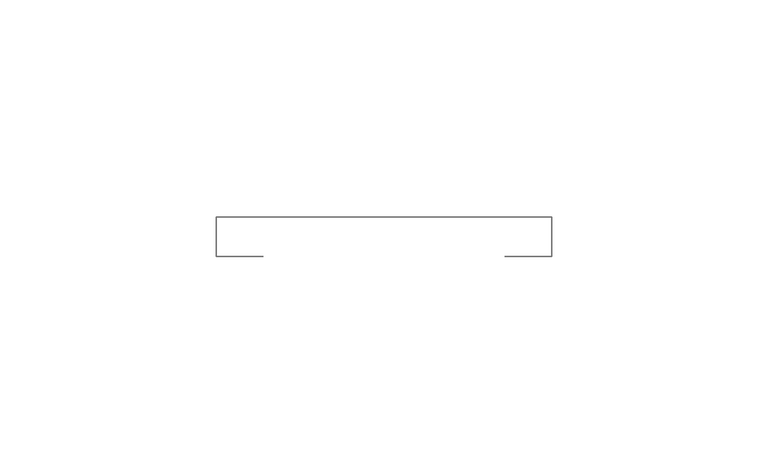
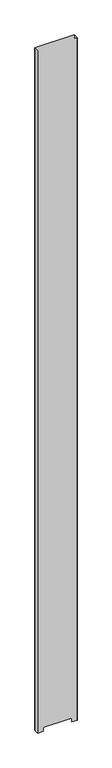
"""IFC4 building model written with IfcOpenShell, lengths in millimetres: furniture geometry."""

from ifc_helpers import new_model, si_unit, origin, place, context, project, spatial, triangles, source, transform, mapped, element, save


def furniture_2c1fd98f(model_context):
    return source(origin(), model_context, "Body", "Tessellation", [
        triangles([(11.1759996, -9.1185999, 1429.7660717), (0.381, -9.1185999, 1429.7660717), (0.381, -9.1185999, 14.2875), (11.1759996, -9.1185999, 14.2875), (77.8509984, -9.1185999, 1429.7660717), (67.0559996, -9.1185999, 1429.7660717), (67.0559996, -9.1185999, 14.2875), (77.8509984, -9.1185999, 14.2875), (0.381, 0.0, 14.2875), (0.381, 0.0, 1429.7660717), (77.8509984, 0.0, 1429.7660717), (77.8509984, 0.0, 14.2875)], [[1, 2, 3], [1, 3, 4], [5, 6, 7], [5, 7, 8], [9, 10, 11], [9, 11, 12], [3, 2, 10], [3, 10, 9], [8, 12, 11], [8, 11, 5]], closed=False),
    ])


if __name__ == "__main__":
    model = new_model("IFC4")
    model_context = context("Model", 3, world=origin())
    ifc_project = project(units=[si_unit("LENGTHUNIT", "METRE", prefix="MILLI")], contexts=[model_context])
    site = spatial("IfcSite", under=ifc_project)
    building = spatial("IfcBuilding", under=site)
    placement = place(None, origin())
    furniture_shape = furniture_2c1fd98f(model_context)
    element("IfcFurniture", 1, at=placement, inside=building, context=model_context, shape_type="MappedRepresentation", body=[
        mapped(furniture_shape, transform((0.0, 0.0, 0.0), x_axis=(1.0, 0.0, 0.0), y_axis=(0.0, 1.0, 0.0), z_axis=(0.0, 0.0, 1.0))),
    ])
    save(model, "model.ifc")
